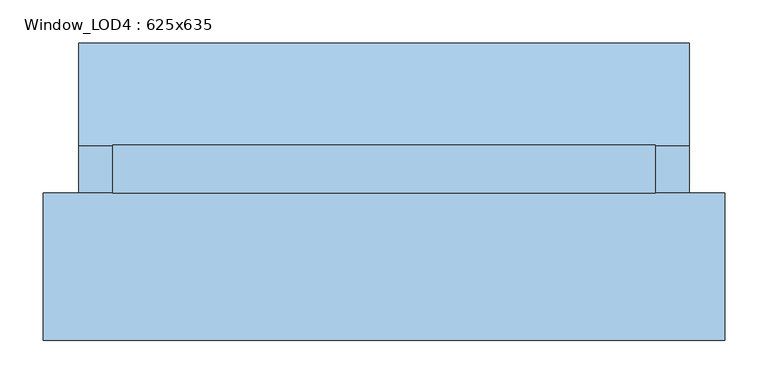
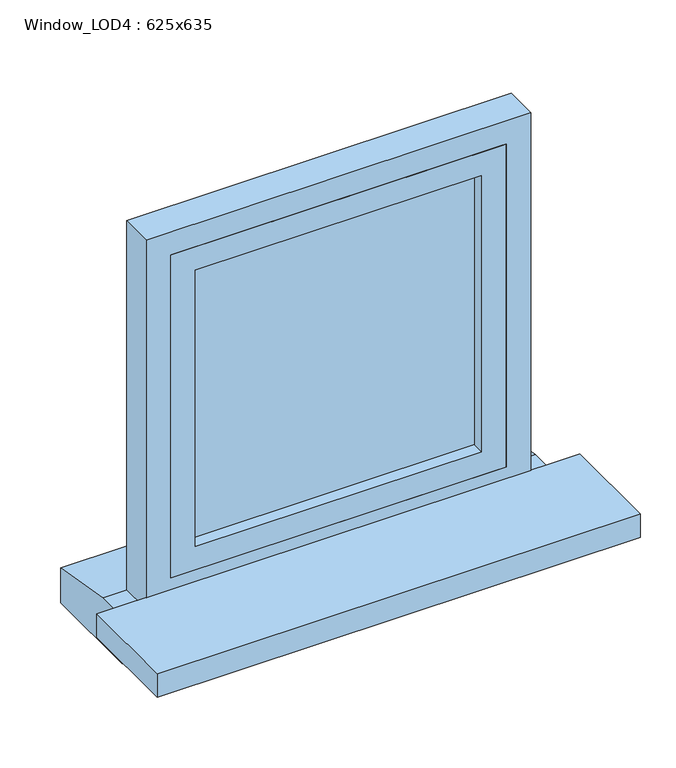
"""IFC4 building model written with IfcOpenShell, lengths in millimetres: window geometry, Window_LOD4 : 625x635."""

from ifc_helpers import new_model, si_unit, frame, origin, place, context, project, spatial, polyline, outline, extrude, source, transform, mapped, element, save


def window_lod4_625x635_38f75554(model_context):
    return source(origin(), model_context, "Body", "SweptSolid", [
        extrude(outline(polyline([(232.5000125, 25.0), (-232.5000125, 25.0), (-232.5000125, 40.0), (232.5000125, 40.0), (232.5000125, 25.0)])), frame((0.0, 0.0, 880.0), z_axis=(0.0, 0.0, 1.0), x_axis=(1.0, 0.0, 0.0)), (0.0, 0.0, 1.0), 475.0000254),
        extrude(outline(polyline([(1395.0000254, -272.5000125), (840.0, -272.5000125), (840.0, 272.5000125), (1395.0000254, 272.5000125), (1395.0000254, -272.5000125)]), holes=[polyline([(1355.0000254, -232.5000125), (1355.0000254, 232.5000125), (880.0, 232.5000125), (880.0, -232.5000125), (1355.0000254, -232.5000125)])]), frame((0.0, 5.0, 0.0), z_axis=(0.0, 1.0, 0.0), x_axis=(0.0, 0.0, 1.0)), (0.0, 0.0, 1.0), 55.0),
        extrude(outline(polyline([(60.0, 800.0), (177.5923191, 780.0), (177.5923191, 720.0), (5.0, 720.0), (5.0, 800.0), (60.0, 800.0)])), frame((-351.4966022, 0.0, 0.0), z_axis=(1.0, 0.0, 0.0), x_axis=(0.0, 1.0, 0.0)), (0.0, 0.0, 1.0), 702.9932045),
        extrude(outline(polyline([(1435.0000254, -312.5000125), (800.0, -312.5000125), (800.0, 312.5000125), (1435.0000254, 312.5000125), (1435.0000254, -312.5000125)]), holes=[polyline([(1395.0000254, -272.5000125), (1395.0000254, 272.5000125), (840.0, 272.5000125), (840.0, -272.5000125), (1395.0000254, -272.5000125)])]), frame((0.0, 5.0, 0.0), z_axis=(0.0, 1.0, 0.0), x_axis=(0.0, 0.0, 1.0)), (0.0, 0.0, 1.0), 55.0),
        extrude(outline(polyline([(392.5000125, 5.0), (392.5000125, -164.8887308), (-392.5000125, -164.8887308), (-392.5000125, 5.0), (392.5000125, 5.0)])), frame((0.0, 0.0, 780.0), z_axis=(0.0, 0.0, 1.0), x_axis=(1.0, 0.0, 0.0)), (0.0, 0.0, 1.0), 40.0),
    ])


if __name__ == "__main__":
    model = new_model("IFC4")
    model_context = context("Model", 3, world=origin())
    ifc_project = project(units=[si_unit("LENGTHUNIT", "METRE", prefix="MILLI")], contexts=[model_context])
    site = spatial("IfcSite", under=ifc_project)
    building = spatial("IfcBuilding", under=site)
    placement = place(None, origin())
    window_lod4_625x635_shape = window_lod4_625x635_38f75554(model_context)
    element("IfcWindow", 1, ObjectType="Window_LOD4 : 625x635", at=placement, inside=building, context=model_context, shape_type="MappedRepresentation", body=[
        mapped(window_lod4_625x635_shape, transform((0.0, 0.0, 0.0), x_axis=(1.0, 0.0, 0.0), y_axis=(0.0, 1.0, 0.0), z_axis=(0.0, 0.0, 1.0))),
    ])
    save(model, "model.ifc")
